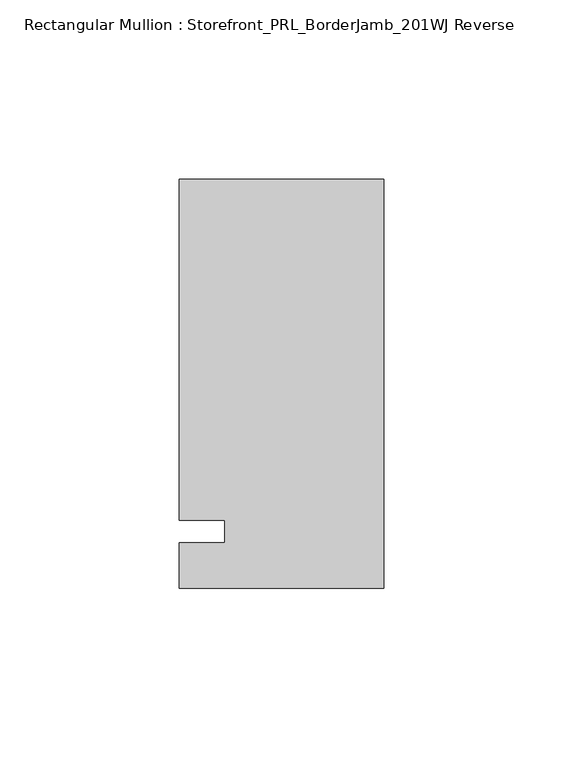
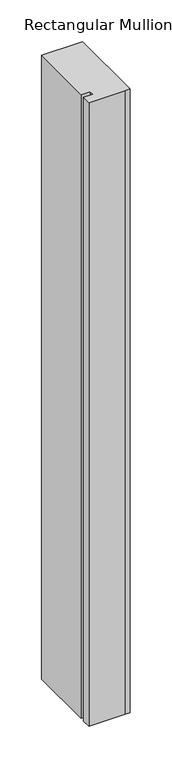
"""IFC4 building model written with IfcOpenShell, lengths in millimetres: member geometry, Rectangular Mullion : Storefront_PRL_BorderJamb_201WJ Reverse."""

from ifc_helpers import new_model, si_unit, frame, origin, place, context, project, spatial, polyline, outline, extrude, source, transform, mapped, element, save


def rectangular_mullion_storefront_prl_borderjamb_201wj_reverse_db40b9e6(model_context):
    return source(origin(), model_context, "Body", "SweptSolid", [
        extrude(outline(polyline([(-44.45, 3.175), (-57.15, 3.175), (-57.15, 98.425), (-6.35, 98.425), (0.0, 98.425), (0.0, -15.875), (-7.3958824, -15.875), (-57.15, -15.875), (-57.15, -3.175), (-44.45, -3.175), (-44.45, 3.175)])), frame((0.0, 0.0, -914.4), z_axis=(0.0, 0.0, 1.0), x_axis=(1.0, 0.0, 0.0)), (0.0, 0.0, 1.0), 914.4),
    ])


if __name__ == "__main__":
    model = new_model("IFC4")
    model_context = context("Model", 3, world=origin())
    ifc_project = project(units=[si_unit("LENGTHUNIT", "METRE", prefix="MILLI")], contexts=[model_context])
    site = spatial("IfcSite", under=ifc_project)
    building = spatial("IfcBuilding", under=site)
    placement = place(None, origin())
    rectangular_mullion_storefront_prl_borderjamb_201wj_reverse_shape = rectangular_mullion_storefront_prl_borderjamb_201wj_reverse_db40b9e6(model_context)
    element("IfcMember", 1, ObjectType="Rectangular Mullion : Storefront_PRL_BorderJamb_201WJ Reverse", at=placement, inside=building, context=model_context, shape_type="MappedRepresentation", body=[
        mapped(rectangular_mullion_storefront_prl_borderjamb_201wj_reverse_shape, transform((0.0, 0.0, 0.0), x_axis=(1.0, 0.0, 0.0), y_axis=(0.0, 1.0, 0.0), z_axis=(0.0, 0.0, 1.0))),
    ])
    save(model, "model.ifc")
